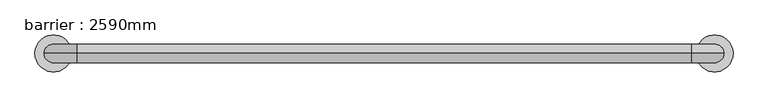
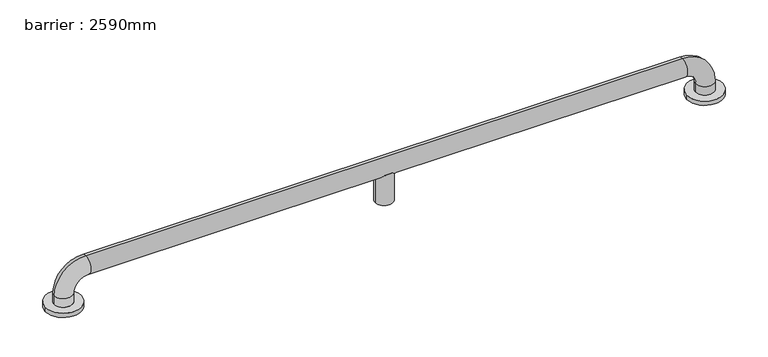
"""IFC4 building model written with IfcOpenShell, lengths in millimetres: geographic element geometry, barrier : 2590mm."""

from ifc_helpers import new_model, si_unit, point, frame, origin, place, context, project, spatial, circle_curve, ellipse_curve, trimmed, source, transform, mapped, element, save
from ifc_brep_helpers import plane_surface, cylinder_surface, revolved_surface, advanced_brep


def barrier_2590mm_155be5a8(model_context):
    return source(origin(), model_context, "Body", "AdvancedBrep", [
        advanced_brep(
        [(3.7845364, 0.0, 0.0), (83.7845364, 0.0, 0.0), (1432.1964813, 0.0, 0.0), (1512.1964813, 0.0, 0.0), (63.7845364, 0.0, 30.0), (23.7845364, 0.0, 30.0), (23.7845364, 0.0, 10.0), (63.7845364, 0.0, 10.0), (93.7845364, 0.0, 60.0), (93.7845364, 0.0, 100.0), (737.9905089, 0.0, 60.0), (749.2967977, -18.0116458, 71.3062888), (766.6842201, -18.0116458, 71.3062888), (777.9905089, 0.0, 60.0), (1422.1964813, 0.0, 60.0), (1422.1964813, 0.0, 100.0), (766.6842201, 18.0116458, 71.3062888), (749.2967977, 18.0116458, 71.3062888), (1452.1964813, 0.0, 30.0), (1492.1964813, 0.0, 30.0), (1452.1964813, 0.0, 10.0), (1492.1964813, 0.0, 10.0), (737.9905089, 0.0, 0.0), (777.9905089, 0.0, 0.0), (3.7845364, 0.0, 10.0), (83.7845364, 0.0, 10.0), (1432.1964813, 0.0, 10.0), (1512.1964813, 0.0, 10.0)],
        [
            (0, 1, circle_curve(frame((43.7845364, 0.0, 0.0), z_axis=(0.0, 0.0, -1.0), x_axis=(1.0, 0.0, 0.0)), 40.0)),
            (1, 0, circle_curve(frame((43.7845364, 0.0, 0.0), z_axis=(0.0, 0.0, -1.0), x_axis=(1.0, 0.0, 0.0)), 40.0)),
            (2, 3, circle_curve(frame((1472.1964813, 0.0, 0.0), z_axis=(0.0, 0.0, -1.0), x_axis=(1.0, 0.0, 0.0)), 40.0)),
            (3, 2, circle_curve(frame((1472.1964813, 0.0, 0.0), z_axis=(0.0, 0.0, -1.0), x_axis=(1.0, 0.0, 0.0)), 40.0)),
            (4, 5, circle_curve(frame((43.7845364, 0.0, 30.0), z_axis=(0.0, 0.0, -1.0), x_axis=(-1.0, 0.0, 0.0)), 20.0)),
            (5, 6),
            (6, 7, circle_curve(frame((43.7845364, 0.0, 10.0), z_axis=(0.0, 0.0, 1.0), x_axis=(-1.0, 0.0, 0.0)), 20.0)),
            (7, 4),
            (5, 4, circle_curve(frame((43.7845364, 0.0, 30.0), z_axis=(0.0, 0.0, -1.0), x_axis=(-1.0, 0.0, 0.0)), 20.0)),
            (7, 6, circle_curve(frame((43.7845364, 0.0, 10.0), z_axis=(0.0, 0.0, 1.0), x_axis=(-1.0, 0.0, 0.0)), 20.0)),
            (4, 8, circle_curve(frame((93.7845364, 0.0, 30.0), z_axis=(0.0, 1.0, 0.0), x_axis=(-1.0, 0.0, 0.0)), 30.0)),
            (8, 9, circle_curve(frame((93.7845364, 0.0, 80.0), z_axis=(-1.0, 0.0, 0.0), x_axis=(0.0, 0.0, 1.0)), 20.0)),
            (9, 5, circle_curve(frame((93.7845364, 0.0, 30.0), z_axis=(0.0, -1.0, 0.0), x_axis=(-1.0, 0.0, 0.0)), 70.0)),
            (9, 8, circle_curve(frame((93.7845364, 0.0, 80.0), z_axis=(-1.0, 0.0, 0.0), x_axis=(0.0, 0.0, 1.0)), 20.0)),
            (8, 10),
            (10, 11, ellipse_curve(frame((757.9905089, 0.0, 80.0), z_axis=(-0.7071067811865475, 0.0, 0.7071067811865475), x_axis=(-0.7071067811865476, 0.0, -0.7071067811865474)), 28.2842712, 20.0)),
            (11, 12),
            (12, 13, ellipse_curve(frame((757.9905089, 0.0, 80.0), z_axis=(0.7071067811865475, 0.0, 0.7071067811865475), x_axis=(-0.7071067811865476, 0.0, 0.7071067811865474)), 28.2842712, 20.0)),
            (13, 14),
            (14, 15, circle_curve(frame((1422.1964813, 0.0, 80.0), z_axis=(-1.0, 0.0, 0.0), x_axis=(0.0, 0.0, 1.0)), 20.0)),
            (15, 9),
            (15, 14, circle_curve(frame((1422.1964813, 0.0, 80.0), z_axis=(-1.0, 0.0, 0.0), x_axis=(0.0, 0.0, 1.0)), 20.0)),
            (13, 16, ellipse_curve(frame((757.9905089, 0.0, 80.0), z_axis=(0.7071067811865475, 0.0, 0.7071067811865475), x_axis=(-0.7071067811865476, 0.0, 0.7071067811865474)), 28.2842712, 20.0)),
            (16, 17),
            (17, 10, ellipse_curve(frame((757.9905089, 0.0, 80.0), z_axis=(-0.7071067811865475, 0.0, 0.7071067811865475), x_axis=(-0.7071067811865476, 0.0, -0.7071067811865474)), 28.2842712, 20.0)),
            (14, 18, circle_curve(frame((1422.1964813, 0.0, 30.0), z_axis=(0.0, 1.0, 0.0), x_axis=(0.0, 0.0, 1.0)), 30.0)),
            (18, 19, circle_curve(frame((1472.1964813, 0.0, 30.0), z_axis=(0.0, 0.0, 1.0), x_axis=(1.0, 0.0, 0.0)), 20.0)),
            (19, 15, circle_curve(frame((1422.1964813, 0.0, 30.0), z_axis=(0.0, -1.0, 0.0), x_axis=(0.0, 0.0, 1.0)), 70.0)),
            (19, 18, circle_curve(frame((1472.1964813, 0.0, 30.0), z_axis=(0.0, 0.0, 1.0), x_axis=(1.0, 0.0, 0.0)), 20.0)),
            (18, 20),
            (20, 21, circle_curve(frame((1472.1964813, 0.0, 10.0), z_axis=(0.0, 0.0, 1.0), x_axis=(1.0, 0.0, 0.0)), 20.0)),
            (21, 19),
            (21, 20, circle_curve(frame((1472.1964813, 0.0, 10.0), z_axis=(0.0, 0.0, 1.0), x_axis=(1.0, 0.0, 0.0)), 20.0)),
            (22, 23, circle_curve(frame((757.9905089, 0.0, 0.0), z_axis=(0.0, 0.0, -1.0), x_axis=(1.0, 0.0, 0.0)), 20.0)),
            (23, 22, circle_curve(frame((757.9905089, 0.0, 0.0), z_axis=(0.0, 0.0, -1.0), x_axis=(1.0, 0.0, 0.0)), 20.0)),
            (23, 13),
            (12, 11, circle_curve(frame((757.9905089, 0.0, 71.3062888), z_axis=(0.0, 0.0, -1.0), x_axis=(1.0, 0.0, 0.0)), 20.0)),
            (10, 22),
            (17, 16, circle_curve(frame((757.9905089, 0.0, 71.3062888), z_axis=(0.0, 0.0, -1.0), x_axis=(1.0, 0.0, 0.0)), 20.0)),
            (24, 25, circle_curve(frame((43.7845364, 0.0, 10.0), z_axis=(0.0, 0.0, 1.0), x_axis=(1.0, 0.0, 0.0)), 40.0)),
            (25, 24, circle_curve(frame((43.7845364, 0.0, 10.0), z_axis=(0.0, 0.0, 1.0), x_axis=(1.0, 0.0, 0.0)), 40.0)),
            (26, 27, circle_curve(frame((1472.1964813, 0.0, 10.0), z_axis=(0.0, 0.0, 1.0), x_axis=(1.0, 0.0, 0.0)), 40.0)),
            (27, 26, circle_curve(frame((1472.1964813, 0.0, 10.0), z_axis=(0.0, 0.0, 1.0), x_axis=(1.0, 0.0, 0.0)), 40.0)),
            (24, 0),
            (1, 25),
            (26, 2),
            (3, 27),
        ],
        [
            plane_surface(frame((43.7845364, -20.0, 0.0), z_axis=(0.0, 0.0, -1.0), x_axis=(1.0, 0.0, 0.0))),
            cylinder_surface(frame((43.7845364, 0.0, 0.0), z_axis=(0.0, 0.0, -1.0), x_axis=(-1.0, 0.0, 0.0)), 20.0),
            revolved_surface(trimmed(ellipse_curve(frame((43.7845364, 0.0, 30.0), z_axis=(0.0, 0.0, -1.0), x_axis=(-1.0, 0.0, 0.0)), 20.0, 20.0), [point((63.7845364, 0.0, 30.0))], [point((23.7845364, 0.0, 30.0))], True, "CARTESIAN"), (93.7845364, 0.0, 30.0), (0.0, 1.0, 0.0)),
            revolved_surface(trimmed(ellipse_curve(frame((43.7845364, 0.0, 30.0), z_axis=(0.0, 0.0, -1.0), x_axis=(-1.0, 0.0, 0.0)), 20.0, 20.0), [point((23.7845364, 0.0, 30.0))], [point((63.7845364, 0.0, 30.0))], True, "CARTESIAN"), (93.7845364, 0.0, 30.0), (0.0, 1.0, 0.0)),
            cylinder_surface(frame((93.7845364, 0.0, 80.0), z_axis=(-1.0, 0.0, 0.0), x_axis=(0.0, 0.0, 1.0)), 20.0),
            revolved_surface(trimmed(ellipse_curve(frame((1422.1964813, 0.0, 80.0), z_axis=(-1.0, 0.0, 0.0), x_axis=(0.0, 0.0, 1.0)), 20.0, 20.0), [point((1422.1964813, 0.0, 60.0))], [point((1422.1964813, 0.0, 100.0))], True, "CARTESIAN"), (1422.1964813, 0.0, 30.0), (0.0, 1.0, 0.0)),
            revolved_surface(trimmed(ellipse_curve(frame((1422.1964813, 0.0, 80.0), z_axis=(-1.0, 0.0, 0.0), x_axis=(0.0, 0.0, 1.0)), 20.0, 20.0), [point((1422.1964813, 0.0, 100.0))], [point((1422.1964813, 0.0, 60.0))], True, "CARTESIAN"), (1422.1964813, 0.0, 30.0), (0.0, 1.0, 0.0)),
            cylinder_surface(frame((1472.1964813, 0.0, 30.0), z_axis=(0.0, 0.0, 1.0), x_axis=(1.0, 0.0, 0.0)), 20.0),
            plane_surface(frame((777.9905089, 0.0, 0.0), z_axis=(0.0, 0.0, -1.0), x_axis=(0.0, -1.0, 0.0))),
            cylinder_surface(frame((757.9905089, 0.0, 0.0), z_axis=(0.0, 0.0, 1.0), x_axis=(1.0, 0.0, 0.0)), 20.0),
            plane_surface(frame((83.7845364, 0.0, 10.0), z_axis=(0.0, 0.0, 1.0), x_axis=(0.0, 1.0, 0.0))),
            cylinder_surface(frame((43.7845364, 0.0, 0.0), z_axis=(0.0, 0.0, 1.0), x_axis=(1.0, 0.0, 0.0)), 40.0),
            cylinder_surface(frame((1472.1964813, 0.0, 0.0), z_axis=(0.0, 0.0, 1.0), x_axis=(1.0, 0.0, 0.0)), 40.0),
            plane_surface(frame((777.9905089, 0.0, 71.3062888), z_axis=(0.0, 0.0, 1.0), x_axis=(0.0, 1.0, 0.0))),
        ],
        [
            (0, [[1, 2]]),
            (0, [[3, 4]]),
            (1, [[5, 6, 7, 8]]),
            (1, [[9, -8, 10, -6]]),
            (2, [[-5, 11, 12, 13]]),
            (3, [[-9, -13, 14, -11]]),
            (4, [[-12, 15, 16, 17, 18, 19, 20, 21]]),
            (4, [[-14, -21, 22, -19, 23, 24, 25, -15]]),
            (5, [[-20, 26, 27, 28]]),
            (6, [[-22, -28, 29, -26]]),
            (7, [[-27, 30, 31, 32]]),
            (7, [[-29, -32, 33, -30]]),
            (8, [[34, 35]]),
            (9, [[-35, 36, -18, 37, -16, 38]]),
            (9, [[-34, -38, -25, 39, -23, -36]]),
            (10, [[40, 41], [-7, -10]]),
            (10, [[42, 43], [-31, -33]]),
            (11, [[-40, 44, -2, 45]]),
            (11, [[-41, -45, -1, -44]]),
            (12, [[-42, 46, -4, 47]]),
            (12, [[-43, -47, -3, -46]]),
            (13, [[-37, -17]]),
            (13, [[-39, -24]]),
        ],
    ),
    ])


if __name__ == "__main__":
    model = new_model("IFC4")
    model_context = context("Model", 3, world=origin())
    ifc_project = project(units=[si_unit("LENGTHUNIT", "METRE", prefix="MILLI")], contexts=[model_context])
    site = spatial("IfcSite", under=ifc_project)
    building = spatial("IfcBuilding", under=site)
    placement = place(None, origin())
    barrier_2590mm_shape = barrier_2590mm_155be5a8(model_context)
    element("IfcGeographicElement", 1, ObjectType="barrier : 2590mm", at=placement, inside=building, context=model_context, shape_type="MappedRepresentation", body=[
        mapped(barrier_2590mm_shape, transform((0.0, 0.0, 0.0), x_axis=(1.0, 0.0, 0.0), y_axis=(0.0, 1.0, 0.0), z_axis=(0.0, 0.0, 1.0))),
    ])
    save(model, "model.ifc")
